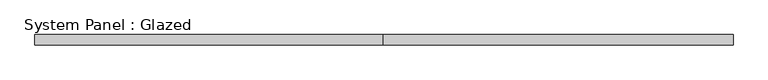
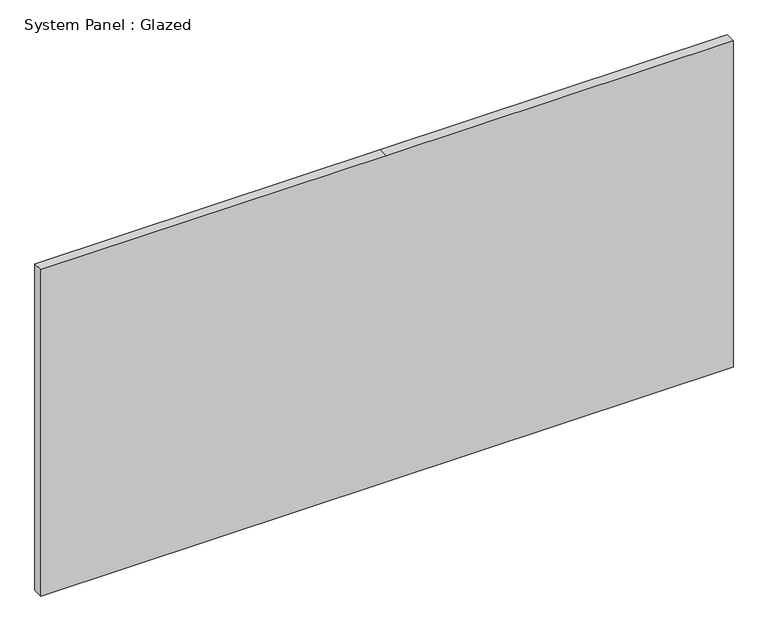
"""IFC4 building model written with IfcOpenShell, lengths in millimetres: plate geometry, System Panel : Glazed."""

from ifc_helpers import new_model, si_unit, frame, origin, place, context, project, spatial, polyline, outline, extrude, source, transform, mapped, element, save


def system_panel_glazed_feac82ab(model_context):
    return source(origin(), model_context, "Body", "SweptSolid", [
        extrude(outline(polyline([(0.0, -865.8415246), (0.0, -2.2415246), (0.0, 865.8415246), (863.6, 865.8415246), (863.6, -2.2415246), (863.6, -865.8415246), (0.0, -865.8415246)])), frame((0.0, -12.7, 0.0), z_axis=(0.0, 1.0, 0.0), x_axis=(0.0, 0.0, 1.0)), (0.0, 0.0, 1.0), 25.4),
    ])


if __name__ == "__main__":
    model = new_model("IFC4")
    model_context = context("Model", 3, world=origin())
    ifc_project = project(units=[si_unit("LENGTHUNIT", "METRE", prefix="MILLI")], contexts=[model_context])
    site = spatial("IfcSite", under=ifc_project)
    building = spatial("IfcBuilding", under=site)
    placement = place(None, origin())
    system_panel_glazed_shape = system_panel_glazed_feac82ab(model_context)
    element("IfcPlate", 1, ObjectType="System Panel : Glazed", at=placement, inside=building, context=model_context, shape_type="MappedRepresentation", body=[
        mapped(system_panel_glazed_shape, transform((0.0, 0.0, 0.0), x_axis=(1.0, 0.0, 0.0), y_axis=(0.0, 1.0, 0.0), z_axis=(0.0, 0.0, 1.0))),
    ])
    save(model, "model.ifc")
